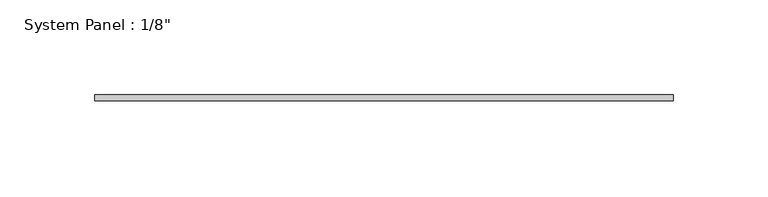
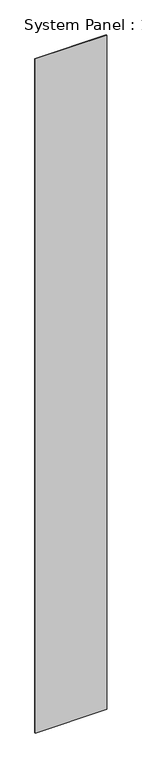
"""IFC4 building model written with IfcOpenShell, lengths in millimetres: plate geometry."""

from ifc_helpers import new_model, si_unit, origin, origin_with_axes, place, context, project, spatial, polyline, outline, extrude, source, transform, mapped, element, save


def plate_f8eb6766(model_context):
    return source(origin(), model_context, "Body", "SweptSolid", [
        extrude(outline(polyline([(152.3775569, 0.0), (-152.3775569, 0.0), (-152.3775569, 3.175), (152.3775569, 3.175), (152.3775569, 0.0)])), origin_with_axes(), (0.0, 0.0, 1.0), 3048.0),
    ])


if __name__ == "__main__":
    model = new_model("IFC4")
    model_context = context("Model", 3, world=origin())
    ifc_project = project(units=[si_unit("LENGTHUNIT", "METRE", prefix="MILLI")], contexts=[model_context])
    site = spatial("IfcSite", under=ifc_project)
    building = spatial("IfcBuilding", under=site)
    placement = place(None, origin())
    plate_shape = plate_f8eb6766(model_context)
    element("IfcPlate", 1, ObjectType="System Panel : 1/8\"", at=placement, inside=building, context=model_context, shape_type="MappedRepresentation", body=[
        mapped(plate_shape, transform((0.0, 0.0, 0.0), x_axis=(1.0, 0.0, 0.0), y_axis=(0.0, 1.0, 0.0), z_axis=(0.0, 0.0, 1.0))),
    ])
    save(model, "model.ifc")
